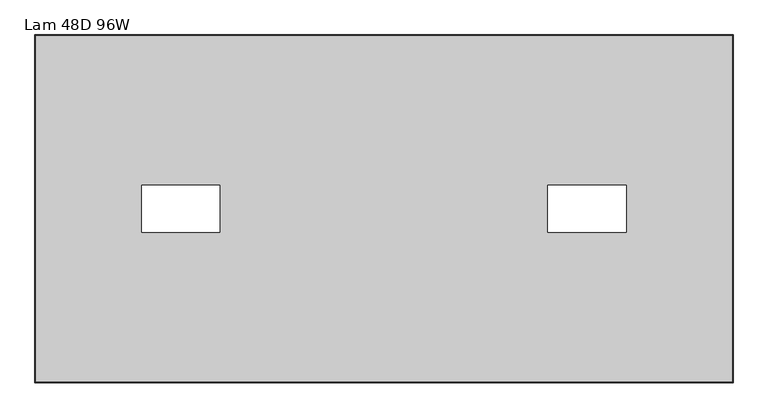
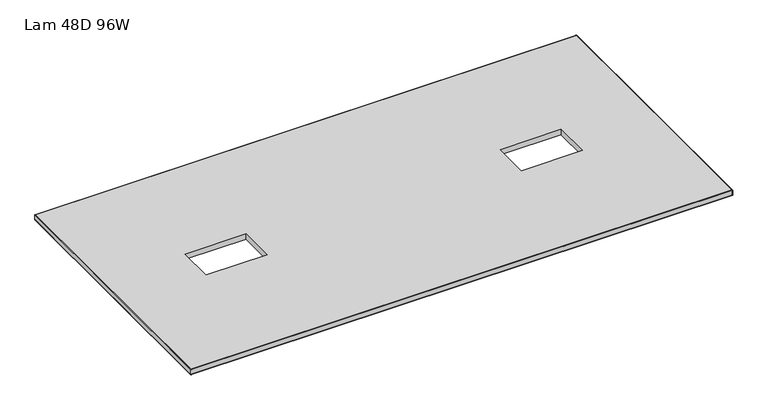
"""IFC4 building model written with IfcOpenShell, lengths in millimetres: furniture geometry, Lam 48D 96W."""

from ifc_helpers import new_model, si_unit, frame, origin, place, context, project, spatial, polyline, ellipse_curve, outline, extrude, source, transform, mapped, element, save
from ifc_brep_helpers import plane_surface, cylinder_surface, advanced_brep


def lam_48d_96w_bbe9e551(model_context):
    return source(origin(), model_context, "Body", "SolidModel", [
        advanced_brep(
        [(-1097.0, 604.8248, 339.09), (-1097.0, 604.8248, 313.69), (1333.7518, 604.8248, 313.69), (1333.7518, 604.8248, 339.09), (1333.7518, -604.8248, 313.69), (1333.7518, -604.8248, 339.09), (-1097.0, -604.8248, 313.69), (-1097.0, -604.8248, 339.09), (-1098.6002, 606.425, 315.2902), (-1098.6002, 606.425, 337.4898), (1335.352, 606.425, 337.4898), (1335.352, 606.425, 315.2902), (1335.352, -606.425, 337.4898), (1335.352, -606.425, 315.2902), (-1098.6002, -606.425, 337.4898), (-1098.6002, -606.425, 315.2902)],
        [
            (0, 1),
            (1, 2),
            (2, 3),
            (3, 0),
            (2, 4),
            (4, 5),
            (5, 3),
            (4, 6),
            (6, 7),
            (7, 5),
            (6, 1),
            (0, 7),
            (8, 9),
            (9, 10),
            (10, 11),
            (11, 8),
            (10, 12),
            (12, 13),
            (13, 11),
            (12, 14),
            (14, 15),
            (15, 13),
            (14, 9),
            (8, 15),
            (9, 0, ellipse_curve(frame((-1097.0, 604.8248, 337.4898), z_axis=(0.7071067811865475, 0.7071067811865475, 0.0), x_axis=(-0.7071067811865476, 0.7071067811865474, 0.0)), 2.2630245, 1.6002)),
            (3, 10, ellipse_curve(frame((1333.7518, 604.8248, 337.4898), z_axis=(-0.7071067811865475, 0.7071067811865475, 0.0), x_axis=(-0.7071067811865476, -0.7071067811865474, 0.0)), 2.2630245, 1.6002)),
            (1, 8, ellipse_curve(frame((-1097.0, 604.8248, 315.2902), z_axis=(0.7071067811865475, 0.7071067811865475, 0.0), x_axis=(-0.7071067811865476, 0.7071067811865474, 0.0)), 2.2630245, 1.6002)),
            (11, 2, ellipse_curve(frame((1333.7518, 604.8248, 315.2902), z_axis=(-0.7071067811865475, 0.7071067811865475, 0.0), x_axis=(-0.7071067811865476, -0.7071067811865474, 0.0)), 2.2630245, 1.6002)),
            (5, 12, ellipse_curve(frame((1333.7518, -604.8248, 337.4898), z_axis=(0.7071067811865475, 0.7071067811865475, 0.0), x_axis=(-0.7071067811865474, 0.7071067811865476, 0.0)), 2.2630245, 1.6002)),
            (13, 4, ellipse_curve(frame((1333.7518, -604.8248, 315.2902), z_axis=(0.7071067811865475, 0.7071067811865475, 0.0), x_axis=(-0.7071067811865474, 0.7071067811865476, 0.0)), 2.2630245, 1.6002)),
            (7, 14, ellipse_curve(frame((-1097.0, -604.8248, 337.4898), z_axis=(0.7071067811865475, -0.7071067811865475, 0.0), x_axis=(0.7071067811865476, 0.7071067811865474, 0.0)), 2.2630245, 1.6002)),
            (15, 6, ellipse_curve(frame((-1097.0, -604.8248, 315.2902), z_axis=(0.7071067811865475, -0.7071067811865475, 0.0), x_axis=(0.7071067811865476, 0.7071067811865474, 0.0)), 2.2630245, 1.6002)),
        ],
        [
            plane_surface(frame((-1097.0, 604.8248, 313.69), z_axis=(0.0, -1.0, 0.0), x_axis=(1.0, 0.0, 0.0))),
            plane_surface(frame((1333.7518, 604.8248, 313.69), z_axis=(-1.0, 0.0, 0.0), x_axis=(0.0, -1.0, 0.0))),
            plane_surface(frame((1333.7518, -604.8248, 313.69), z_axis=(0.0, 1.0, 0.0), x_axis=(-1.0, 0.0, 0.0))),
            plane_surface(frame((-1097.0, -604.8248, 313.69), z_axis=(1.0, 0.0, 0.0), x_axis=(0.0, 1.0, 0.0))),
            plane_surface(frame((-1098.6002, 606.425, 337.4898), z_axis=(0.0, 1.0, 0.0), x_axis=(1.0, 0.0, 0.0))),
            plane_surface(frame((1335.352, 606.425, 337.4898), z_axis=(1.0, 0.0, 0.0), x_axis=(0.0, -1.0, 0.0))),
            plane_surface(frame((1335.352, -606.425, 337.4898), z_axis=(0.0, -1.0, 0.0), x_axis=(-1.0, 0.0, 0.0))),
            plane_surface(frame((-1098.6002, -606.425, 337.4898), z_axis=(-1.0, 0.0, 0.0), x_axis=(0.0, 1.0, 0.0))),
            cylinder_surface(frame((-1097.0, 604.8248, 337.4898), z_axis=(-1.0, 0.0, 0.0), x_axis=(0.0, -1.0, 0.0)), 1.6002),
            cylinder_surface(frame((-1097.0, 604.8248, 315.2902), z_axis=(-1.0, 0.0, 0.0), x_axis=(0.0, -1.0, 0.0)), 1.6002),
            cylinder_surface(frame((1333.7518, 604.8248, 337.4898), z_axis=(0.0, 1.0, 0.0), x_axis=(-1.0, 0.0, 0.0)), 1.6002),
            cylinder_surface(frame((1333.7518, 604.8248, 315.2902), z_axis=(0.0, 1.0, 0.0), x_axis=(-1.0, 0.0, 0.0)), 1.6002),
            cylinder_surface(frame((1333.7518, -604.8248, 337.4898), z_axis=(1.0, 0.0, 0.0), x_axis=(0.0, 1.0, 0.0)), 1.6002),
            cylinder_surface(frame((1333.7518, -604.8248, 315.2902), z_axis=(1.0, 0.0, 0.0), x_axis=(0.0, 1.0, 0.0)), 1.6002),
            cylinder_surface(frame((-1097.0, -604.8248, 337.4898), z_axis=(0.0, -1.0, 0.0), x_axis=(1.0, 0.0, 0.0)), 1.6002),
            cylinder_surface(frame((-1097.0, -604.8248, 315.2902), z_axis=(0.0, -1.0, 0.0), x_axis=(1.0, 0.0, 0.0)), 1.6002),
        ],
        [
            (0, [[1, 2, 3, 4]]),
            (1, [[-3, 5, 6, 7]]),
            (2, [[-6, 8, 9, 10]]),
            (3, [[-9, 11, -1, 12]]),
            (4, [[13, 14, 15, 16]]),
            (5, [[-15, 17, 18, 19]]),
            (6, [[-18, 20, 21, 22]]),
            (7, [[-21, 23, -13, 24]]),
            (8, [[25, -4, 26, -14]]),
            (9, [[27, -16, 28, -2]]),
            (10, [[-26, -7, 29, -17]]),
            (11, [[-28, -19, 30, -5]]),
            (12, [[-29, -10, 31, -20]]),
            (13, [[-30, -22, 32, -8]]),
            (14, [[-31, -12, -25, -23]]),
            (15, [[-32, -24, -27, -11]]),
        ],
    ),
        extrude(outline(polyline([(1333.7518, 604.8248), (1333.7518, -604.8248), (-1097.0, -604.8248), (-1097.0, 604.8248), (1333.7518, 604.8248)]), holes=[polyline([(-453.8113, 81.915), (-726.8613, 81.915), (-726.8613, -81.915), (-453.8113, -81.915), (-453.8113, 81.915)]), polyline([(962.2133, 81.915), (689.1633, 81.915), (689.1633, -81.915), (962.2133, -81.915), (962.2133, 81.915)])]), frame((0.0, 0.0, 313.69), z_axis=(0.0, 0.0, 1.0), x_axis=(1.0, 0.0, 0.0)), (0.0, 0.0, 1.0), 25.4),
    ])


if __name__ == "__main__":
    model = new_model("IFC4")
    model_context = context("Model", 3, world=origin())
    ifc_project = project(units=[si_unit("LENGTHUNIT", "METRE", prefix="MILLI")], contexts=[model_context])
    site = spatial("IfcSite", under=ifc_project)
    building = spatial("IfcBuilding", under=site)
    placement = place(None, origin())
    lam_48d_96w_shape = lam_48d_96w_bbe9e551(model_context)
    element("IfcFurniture", 1, ObjectType="Lam 48D 96W", at=placement, inside=building, context=model_context, shape_type="MappedRepresentation", body=[
        mapped(lam_48d_96w_shape, transform((0.0, 0.0, 0.0), x_axis=(1.0, 0.0, 0.0), y_axis=(0.0, 1.0, 0.0), z_axis=(0.0, 0.0, 1.0))),
    ])
    save(model, "model.ifc")
